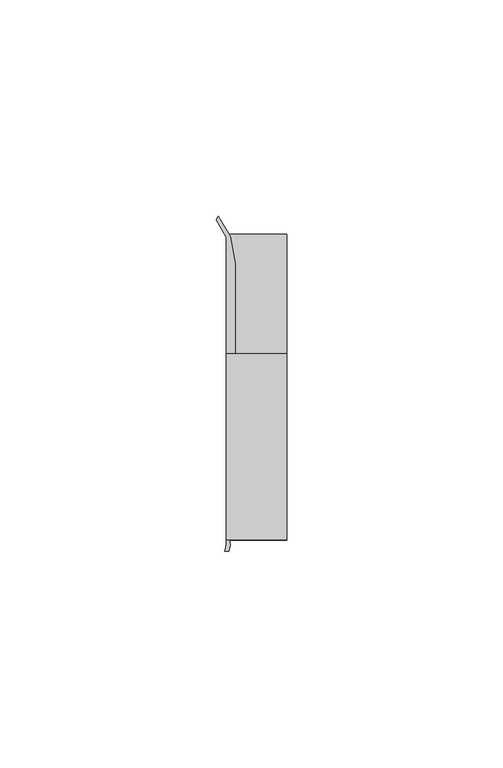
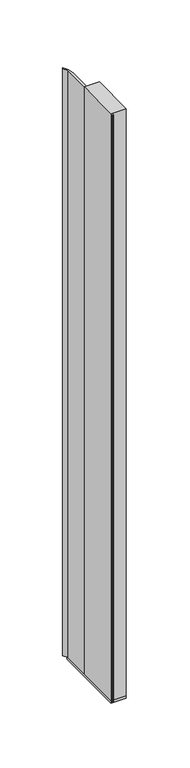
"""IFC4 building model written with IfcOpenShell, lengths in millimetres: furniture geometry."""

from ifc_helpers import new_model, si_unit, point, frame, frame_2d, origin, place, context, project, spatial, polyline, circle_curve, trimmed, segment, composite_curve, outline, extrude, source, transform, mapped, element, save


def furniture_03296309(model_context):
    return source(origin(), model_context, "Body", "SweptSolid", [
        extrude(outline(polyline([(31.9660873, 18.9594777), (31.9660873, -24.0995273), (18.0754623, -24.0995273), (18.0754623, 18.9594777), (31.9660873, 18.9594777)])), frame((0.0, 0.0, 513.0722824), z_axis=(0.0, 0.0, 1.0), x_axis=(1.0, 0.0, 0.0)), (0.0, 0.0, 1.0), 575.0637176),
        extrude(outline(composite_curve([segment(polyline([(16.1635657, 50.6802202), (18.9314847, 46.0995711), (20.0632119, 39.6814262), (20.0632119, 18.9594777), (18.8191063, 18.9594777), (18.8191063, -23.2485144), (31.9660873, -23.2485144), (31.2224462, -24.0995273), (18.7989737, -24.0995273)]), True, "CONTINUOUS"), segment(trimmed(circle_curve(frame_2d((14.8541445, -25.0314921)), 4.0534227), [point((18.7989737, -24.0995273))], [point((18.9075389, -25.0466572))], False, "CARTESIAN"), True, "CONTINUOUS"), segment(trimmed(circle_curve(frame_2d((12.1306413, -24.765085)), 6.7827446), [point((18.9075389, -25.0466572))], [point((18.6374949, -26.6798903))], False, "CARTESIAN"), True, "CONTINUOUS"), segment(polyline([(18.6374949, -26.6798903), (17.6611556, -26.683687)]), True, "CONTINUOUS"), segment(trimmed(circle_curve(frame_2d((12.0703756, -24.4226588)), 6.0306773), [point((17.6611556, -26.683687))], [point((18.0754623, -24.9776388))], True, "CARTESIAN"), True, "CONTINUOUS"), segment(polyline([(18.0754623, -24.9776388), (18.0754623, 45.8886719), (15.7452137, 49.8958113), (16.1635657, 50.6802202)]), True, "CONTINUOUS")], self_intersect=False)), frame((0.0, 0.0, 513.0722824), z_axis=(0.0, 0.0, 1.0), x_axis=(1.0, 0.0, 0.0)), (0.0, 0.0, 1.0), 575.0637176),
        extrude(outline(polyline([(18.0754623, -24.0995273), (18.0754623, 46.6824219), (31.9660873, 46.6824219), (31.9660873, -24.0995273), (18.0754623, -24.0995273)])), frame((0.0, 0.0, 510.54), z_axis=(0.0, 0.0, 1.0), x_axis=(1.0, 0.0, 0.0)), (0.0, 0.0, 1.0), 2.5322824),
    ])


if __name__ == "__main__":
    model = new_model("IFC4")
    model_context = context("Model", 3, world=origin())
    ifc_project = project(units=[si_unit("LENGTHUNIT", "METRE", prefix="MILLI")], contexts=[model_context])
    site = spatial("IfcSite", under=ifc_project)
    building = spatial("IfcBuilding", under=site)
    placement = place(None, origin())
    furniture_shape = furniture_03296309(model_context)
    element("IfcFurniture", 1, at=placement, inside=building, context=model_context, shape_type="MappedRepresentation", body=[
        mapped(furniture_shape, transform((0.0, 0.0, 0.0), x_axis=(1.0, 0.0, 0.0), y_axis=(0.0, 1.0, 0.0), z_axis=(0.0, 0.0, 1.0))),
    ])
    save(model, "model.ifc")
